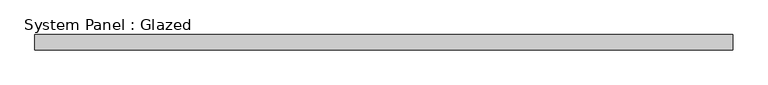
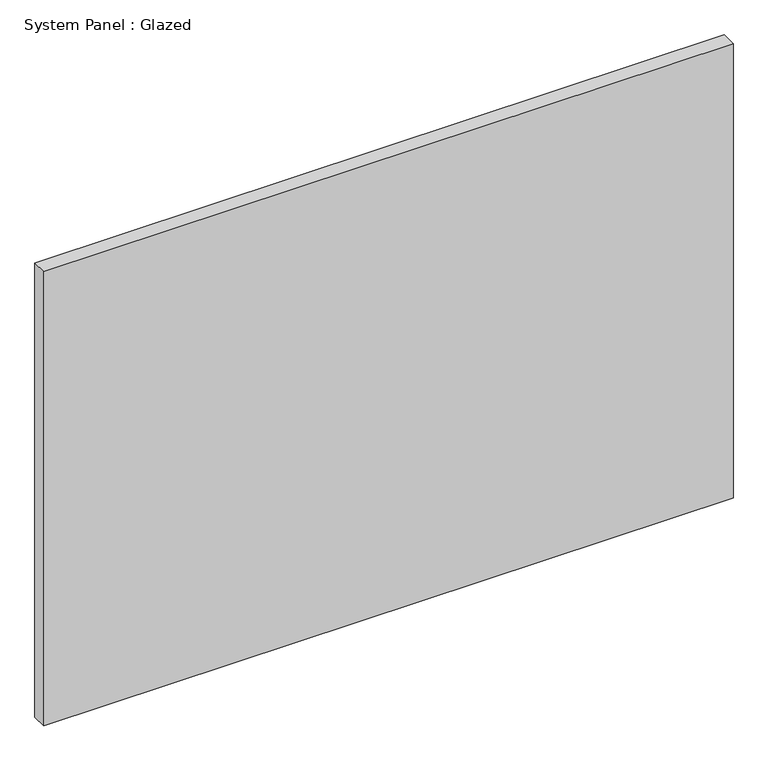
"""IFC4 building model written with IfcOpenShell, lengths in millimetres: plate geometry, System Panel : Glazed."""

from ifc_helpers import new_model, si_unit, origin, origin_with_axes, place, context, project, spatial, polyline, outline, extrude, source, transform, mapped, element, save


def system_panel_glazed_0e08f5f2(model_context):
    return source(origin(), model_context, "Body", "SweptSolid", [
        extrude(outline(polyline([(577.375, 19.05), (-577.375, 19.05), (-577.375, 44.45), (577.375, 44.45), (577.375, 19.05)])), origin_with_axes(), (0.0, 0.0, 1.0), 804.75),
    ])


if __name__ == "__main__":
    model = new_model("IFC4")
    model_context = context("Model", 3, world=origin())
    ifc_project = project(units=[si_unit("LENGTHUNIT", "METRE", prefix="MILLI")], contexts=[model_context])
    site = spatial("IfcSite", under=ifc_project)
    building = spatial("IfcBuilding", under=site)
    placement = place(None, origin())
    system_panel_glazed_shape = system_panel_glazed_0e08f5f2(model_context)
    element("IfcPlate", 1, ObjectType="System Panel : Glazed", at=placement, inside=building, context=model_context, shape_type="MappedRepresentation", body=[
        mapped(system_panel_glazed_shape, transform((0.0, 0.0, 0.0), x_axis=(1.0, 0.0, 0.0), y_axis=(0.0, 1.0, 0.0), z_axis=(0.0, 0.0, 1.0))),
    ])
    save(model, "model.ifc")
